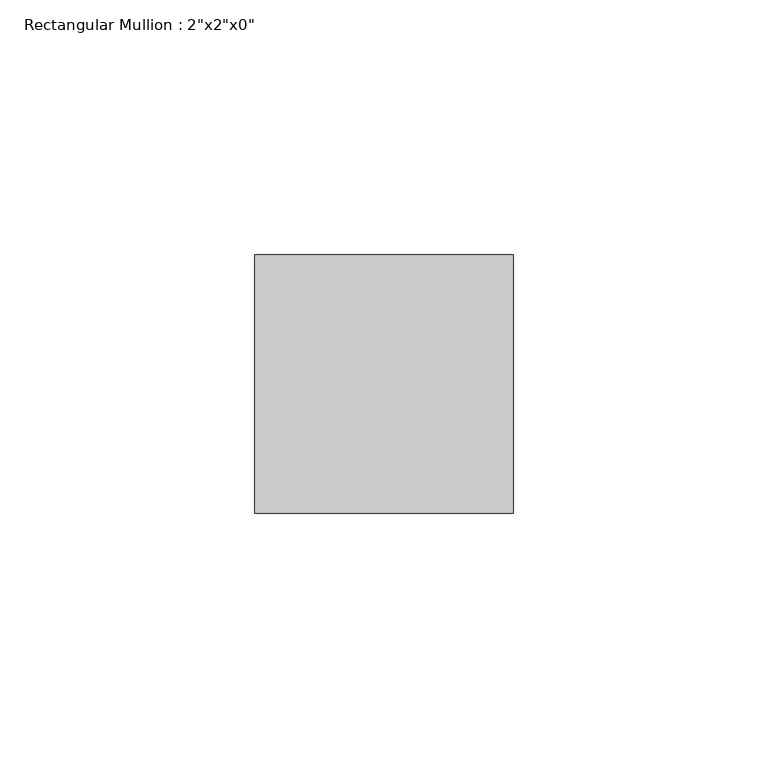
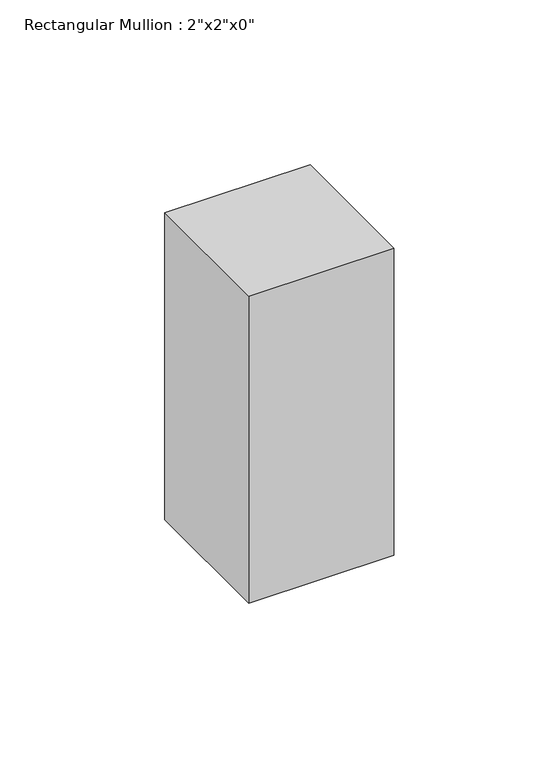
"""IFC4 building model written with IfcOpenShell, lengths in millimetres: member geometry."""

from ifc_helpers import new_model, si_unit, frame, origin, place, context, project, spatial, polyline, outline, extrude, source, transform, mapped, element, save


def member_5f3f2ff5(model_context):
    return source(origin(), model_context, "Body", "SweptSolid", [
        extrude(outline(polyline([(0.0, 25.4), (0.0, -25.4), (-50.8, -25.4), (-50.8, 25.4), (0.0, 25.4)])), frame((0.0, 0.0, -113.5495598), z_axis=(0.0, 0.0, 1.0), x_axis=(1.0, 0.0, 0.0)), (0.0, 0.0, 1.0), 113.5495598),
    ])


if __name__ == "__main__":
    model = new_model("IFC4")
    model_context = context("Model", 3, world=origin())
    ifc_project = project(units=[si_unit("LENGTHUNIT", "METRE", prefix="MILLI")], contexts=[model_context])
    site = spatial("IfcSite", under=ifc_project)
    building = spatial("IfcBuilding", under=site)
    placement = place(None, origin())
    member_shape = member_5f3f2ff5(model_context)
    element("IfcMember", 1, ObjectType="Rectangular Mullion : 2\"x2\"x0\"", at=placement, inside=building, context=model_context, shape_type="MappedRepresentation", body=[
        mapped(member_shape, transform((0.0, 0.0, 0.0), x_axis=(1.0, 0.0, 0.0), y_axis=(0.0, 1.0, 0.0), z_axis=(0.0, 0.0, 1.0))),
    ])
    save(model, "model.ifc")
